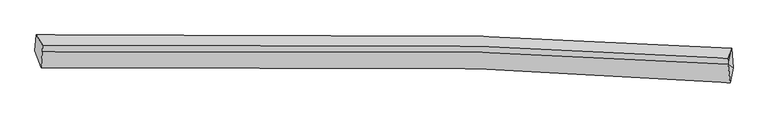
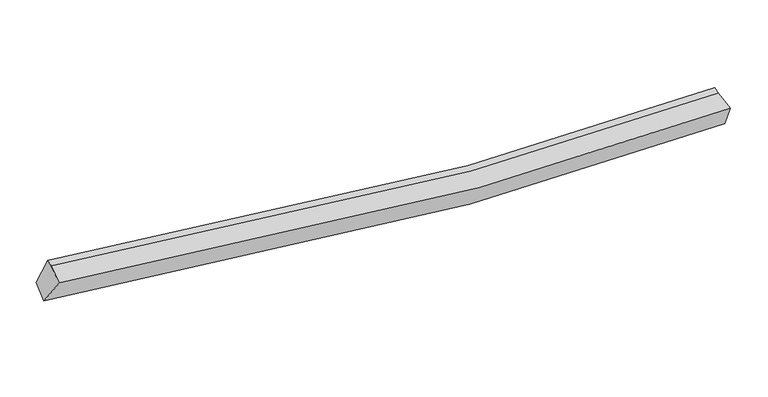
"""IFC4 building model written with IfcOpenShell, lengths in millimetres: proxy geometry."""

from ifc_helpers import new_model, si_unit, frame, origin, place, context, project, spatial, source, transform, mapped, element, save
from ifc_brep_helpers import plane_surface, spline_curve, spline_surface, advanced_brep


def generic_models_7569fd6b(model_context):
    return source(origin(), model_context, "Body", "AdvancedBrep", [
        advanced_brep(
        [(-8340.5035408, -1953.7064458, 3274.4558701), (-8305.6846138, -1585.0921653, 3501.1341563), (7696.8354539, -1895.6807469, 2520.4676022), (7731.8232571, -2344.3414847, 2373.3732614), (-8200.1179694, -2342.9967375, 3911.9077977), (7665.0158421, -2682.9531672, 2999.9925855), (-8171.1700902, -1969.3503415, 4110.2690485), (7616.7146896, -2258.3041896, 3137.6631249), (-8165.1624547, -1818.2614819, 4162.2775542), (7622.1587659, -2121.3885446, 3184.7928612)],
        [
            (0, 1),
            (1, 2, spline_curve(3, [(-8305.6846138, -1585.0921653, 3501.1341563), (-4918.882746519, -1496.510709333, 2851.272629996), (-1527.865009898, -1506.181283547, 2482.537045697), (3809.145272651, -1675.826178201, 2344.822352394), (5752.300891617, -1769.685131651, 2386.669084665), (7696.8354539, -1895.6807469, 2520.4676022)], [4, 2, 4], [0.0, 33.627125858370576, 52.858900818891584])),
            (2, 3),
            (3, 0, spline_curve(3, [(7731.8232571, -2344.3414847, 2373.3732614), (5764.792295286, -2180.308779011, 2205.597742672), (3804.244996049, -2058.719835781, 2138.624325737), (-1566.536232118, -1841.187795228, 2231.603111134), (-4963.431199277, -1832.565058925, 2598.937398251), (-8340.5035408, -1953.7064458, 3274.4558701)], [4, 2, 4], [0.0, 19.231774960521008, 52.858900818891584])),
            (4, 0),
            (3, 5),
            (5, 4, spline_curve(3, [(7665.0158421, -2682.9531672, 2999.9925855), (5721.832679878, -2541.920418942, 2845.153800688), (3785.598897893, -2437.199481857, 2786.888300864), (-1517.076131346, -2249.17569168, 2892.177980289), (-4869.220286823, -2240.577818963, 3254.415217253), (-8200.1179694, -2342.9967375, 3911.9077977)], [4, 2, 4], [0.0, 19.151210171640713, 52.63746695781217])),
            (6, 4),
            (5, 7),
            (7, 6, spline_curve(3, [(7616.7146896, -2258.3041896, 3137.6631249), (5702.123311518, -2137.068643471, 3001.323213873), (3787.487285956, -2047.192518206, 2957.504055658), (-1475.049118656, -1886.358235964, 3091.361322613), (-4823.041352832, -1879.916412712, 3459.382453954), (-8171.1700902, -1969.3503415, 4110.2690485)], [4, 2, 4], [0.0, 18.977495172271475, 52.160007963971935])),
            (8, 6),
            (7, 9),
            (9, 8, spline_curve(3, [(7622.1587659, -2121.3885446, 3184.7928612), (5707.725158604, -1996.185153536, 3049.818779831), (3793.214367855, -1903.159424465, 3007.083793303), (-1469.067247659, -1735.917352096, 3143.14677887), (-4816.996864226, -1727.900726912, 3511.709996319), (-8165.1624547, -1818.2614819, 4162.2775542)], [4, 2, 4], [0.0, 18.930437344729086, 52.030668626135366])),
            (1, 8),
            (9, 2),
            (7, 2),
            (3, 7),
        ],
        [
            spline_surface(3, 3, [[(-8340.5035408, -1953.7064458, 3274.4558701), (-4963.43119924, -1832.565058693, 2598.937398066), (-1566.536232408, -1841.187795152, 2231.603111427), (3804.244996215, -2058.719835824, 2138.624325569), (5764.792295372, -2180.308778993, 2205.597742593), (7731.8232571, -2344.3414847, 2373.3732614)], [(-8328.897231804, -1830.835018983, 3350.015298849), (-4948.581715029, -1720.546942233, 2683.0491419), (-1553.645824854, -1729.518957895, 2315.247756181), (3805.878421654, -1931.088616636, 2207.35700119), (5760.628494114, -2043.434229787, 2265.954856685), (7720.160656038, -2194.787905442, 2422.404708321)], [(-8317.290922796, -1707.963592117, 3425.574727551), (-4933.732230806, -1608.528825725, 2767.160885688), (-1540.755417278, -1617.850120662, 2398.892400915), (3807.511847113, -1803.457397471, 2276.08967679), (5756.464692843, -1906.559680556, 2326.311970815), (7708.498054962, -2045.234326158, 2471.436155279)], [(-8305.6846138, -1585.0921653, 3501.1341563), (-4918.882746595, -1496.510709265, 2851.272629522), (-1527.865009724, -1506.181283405, 2482.537045669), (3809.145272552, -1675.826178282, 2344.82235241), (5752.300891585, -1769.68513135, 2386.669084906), (7696.8354539, -1895.6807469, 2520.4676022)]], [4, 4], [4, 2, 4], [0.0, 1.390715781076959], [0.0, 33.627125858370576, 52.858900818891584]),
            spline_surface(3, 3, [[(-8200.1179694, -2342.9967375, 3911.9077977), (-4869.220286522, -2240.57781897, 3254.41521729), (-1517.076131345, -2249.175691694, 2892.177980088), (3785.598897892, -2437.199481848, 2786.888300979), (5721.832679943, -2541.920419034, 2845.153800817), (7665.0158421, -2682.9531672, 2999.9925855)], [(-8246.913159888, -2213.233306915, 3699.423821815), (-4900.623924116, -2104.573565526, 3035.922610864), (-1533.562831681, -2113.179726178, 2671.986357185), (3791.814264018, -2311.039599839, 2570.80030916), (5736.152551751, -2421.383205678, 2631.968448099), (7687.284980432, -2570.082606357, 2791.11947749)], [(-8293.708350312, -2083.469876385, 3486.939845985), (-4932.027561646, -1968.569312136, 2817.430004492), (-1550.049532072, -1977.183760667, 2451.794734331), (3798.029630089, -2184.879717834, 2354.712317389), (5750.472423564, -2300.845992349, 2418.783095311), (7709.554118768, -2457.212045543, 2582.24636941)], [(-8340.5035408, -1953.7064458, 3274.4558701), (-4963.43119924, -1832.565058693, 2598.937398066), (-1566.536232408, -1841.187795152, 2231.603111427), (3804.244996215, -2058.719835824, 2138.624325569), (5764.792295372, -2180.308778993, 2205.597742593), (7731.8232571, -2344.3414847, 2373.3732614)]], [4, 4], [4, 2, 4], [0.0, 2.5210263222702016], [0.0, 33.48625678617146, 52.63746695781217]),
            spline_surface(3, 3, [[(-8171.1700902, -1969.3503415, 4110.2690485), (-4823.041352551, -1879.916412277, 3459.382454457), (-1475.049118526, -1886.358236078, 3091.361322152), (3787.487285881, -2047.192518141, 2957.504055921), (5702.123311833, -2137.068643703, 3001.323213664), (7616.7146896, -2258.3041896, 3137.6631249)], [(-8180.819383257, -2093.899140176, 4044.148631592), (-4838.434330532, -2000.136881183, 3391.060042094), (-1489.058122799, -2007.297387947, 3024.966874805), (3786.857823218, -2177.194839374, 2900.632137615), (5708.693101203, -2272.019235482, 2949.266742708), (7632.815073767, -2399.853848802, 3091.772945093)], [(-8190.468676343, -2218.447938824, 3978.028214608), (-4853.827308541, -2120.357350063, 3322.737629653), (-1503.067127072, -2128.236539825, 2958.572427436), (3786.228360555, -2307.197160615, 2843.760219286), (5715.262890572, -2406.969827255, 2897.210271772), (7648.915457933, -2541.403507998, 3045.882765307)], [(-8200.1179694, -2342.9967375, 3911.9077977), (-4869.220286522, -2240.57781897, 3254.41521729), (-1517.076131345, -2249.175691694, 2892.177980088), (3785.598897892, -2437.199481848, 2786.888300979), (5721.832679943, -2541.920419034, 2845.153800817), (7665.0158421, -2682.9531672, 2999.9925855)]], [4, 4], [4, 2, 4], [0.0, 1.372771002390663], [0.0, 33.18251279170046, 52.160007963971935]),
            spline_surface(3, 3, [[(-8165.1624547, -1818.2614819, 4162.2775542), (-4816.996864349, -1727.900726694, 3511.709996482), (-1469.067248062, -1735.917352167, 3143.146778761), (3793.214368085, -1903.159424424, 3007.083793365), (5707.725158662, -1996.185153231, 3049.818780077), (7622.1587659, -2121.3885446, 3184.7928612)], [(-8167.164999866, -1868.624435091, 4144.941385611), (-4819.011693749, -1778.572621879, 3494.267482451), (-1471.061204901, -1786.064313481, 3125.884959895), (3791.305340666, -1951.170455674, 2990.557214221), (5705.857876364, -2043.146316738, 3033.65359126), (7620.344073778, -2167.02709295, 3169.082949088)], [(-8169.167545034, -1918.987388309, 4127.605217089), (-4821.026523151, -1829.244517091, 3476.824968487), (-1473.055161687, -1836.211274764, 3108.623141019), (3789.3963133, -1999.181486892, 2974.030635066), (5703.990594131, -2090.107480196, 3017.48840248), (7618.529381722, -2212.66564125, 3153.373037012)], [(-8171.1700902, -1969.3503415, 4110.2690485), (-4823.041352551, -1879.916412277, 3459.382454457), (-1475.049118526, -1886.358236078, 3091.361322152), (3787.487285881, -2047.192518141, 2957.504055921), (5702.123311833, -2137.068643703, 3001.323213664), (7616.7146896, -2258.3041896, 3137.6631249)]], [4, 4], [4, 2, 4], [0.0, 0.5161054442251456], [0.0, 33.10023128140628, 52.030668626135366]),
            spline_surface(3, 3, [[(-8305.6846138, -1585.0921653, 3501.1341563), (-4918.882746595, -1496.510709265, 2851.272629522), (-1527.865009724, -1506.181283405, 2482.537045669), (3809.145272552, -1675.826178282, 2344.82235241), (5752.300891585, -1769.68513135, 2386.669084906), (7696.8354539, -1895.6807469, 2520.4676022)], [(-8258.843894085, -1662.815270835, 3721.515288932), (-4884.920785832, -1573.640715077, 3071.418418508), (-1508.26575583, -1582.759972994, 2702.740290032), (3803.83497107, -1751.603926998, 2565.576166061), (5737.442313962, -1845.185138627, 2607.718983304), (7671.943224585, -1970.916679449, 2741.909355208)], [(-8212.003174415, -1740.538376365, 3941.896421568), (-4850.958825113, -1650.770720882, 3291.564207496), (-1488.666501956, -1659.338662578, 2922.943534398), (3798.524669567, -1827.381675708, 2786.329979715), (5722.583736285, -1920.685145955, 2828.768881679), (7647.050995215, -2046.152612051, 2963.351108192)], [(-8165.1624547, -1818.2614819, 4162.2775542), (-4816.996864349, -1727.900726694, 3511.709996482), (-1469.067248062, -1735.917352167, 3143.146778761), (3793.214368085, -1903.159424424, 3007.083793365), (5707.725158662, -1996.185153231, 3049.818780077), (7622.1587659, -2121.3885446, 3184.7928612)]], [4, 4], [4, 2, 4], [0.0, 2.299614880400536], [0.0, 33.32398973565469, 52.38239734628589]),
            plane_surface(frame((-8236.5277338, -1933.8814344, 3792.0088854), z_axis=(-0.9797768339029966, -0.02918245354394028, 0.19795388390273), x_axis=(-0.08020327259674373, -0.8490804908618538, -0.5221395935021266))),
            plane_surface(frame((7645.2363031, -2091.7911604, 2947.6411961), z_axis=(0.9936735067326776, -0.06979721701245112, 0.08798471750764607), x_axis=(0.11123106449857609, 0.5034274434411468, -0.8568479792126633))),
            plane_surface(frame((7671.1845962, -2428.5329472, 2837.0096573), z_axis=(0.987731852450475, 0.06654899934628154, 0.14126931139055576), x_axis=(0.10757176630565535, -0.9457381080004507, -0.30660682668461486))),
            plane_surface(frame((7681.7911335, -2166.1088071, 2677.1679962), z_axis=(0.9889029111568091, 0.029372040021880486, 0.1456307507724293), x_axis=(0.1480146995625962, -0.11063281091097343, -0.9827777113179416))),
        ],
        [
            (0, [[1, 2, 3, 4]]),
            (1, [[5, -4, 6, 7]]),
            (2, [[8, -7, 9, 10]]),
            (3, [[11, -10, 12, 13]]),
            (4, [[14, -13, 15, -2]]),
            (5, [[-1, -5, -8, -11, -14]]),
            (6, [[16, -15, -12]]),
            (7, [[-9, -6, 17]]),
            (8, [[-17, -3, -16]]),
        ],
    ),
    ])


if __name__ == "__main__":
    model = new_model("IFC4")
    model_context = context("Model", 3, world=origin())
    ifc_project = project(units=[si_unit("LENGTHUNIT", "METRE", prefix="MILLI")], contexts=[model_context])
    site = spatial("IfcSite", under=ifc_project)
    building = spatial("IfcBuilding", under=site)
    placement = place(None, origin())
    generic_models_shape = generic_models_7569fd6b(model_context)
    element("IfcBuildingElementProxy", 1, Name="Generic Models", at=placement, inside=building, context=model_context, shape_type="MappedRepresentation", body=[
        mapped(generic_models_shape, transform((0.0, 0.0, 0.0), x_axis=(1.0, 0.0, 0.0), y_axis=(0.0, 1.0, 0.0), z_axis=(0.0, 0.0, 1.0))),
    ])
    save(model, "model.ifc")
